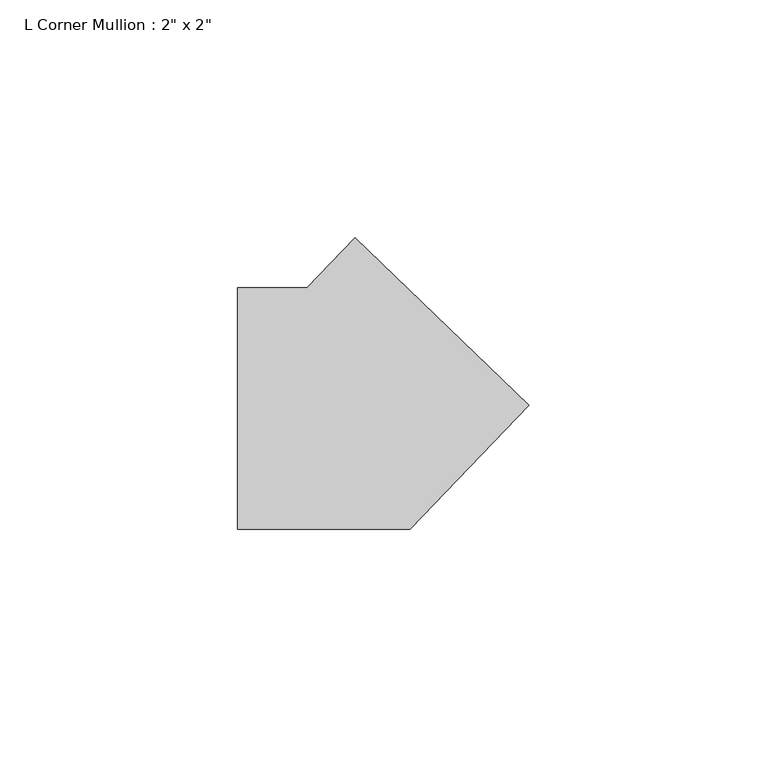
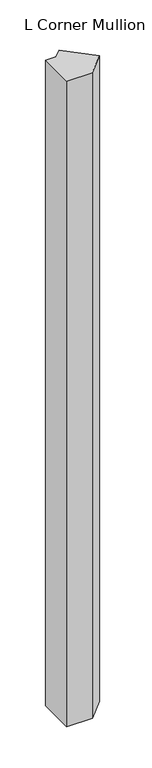
"""IFC4 building model written with IfcOpenShell, lengths in millimetres: member geometry."""

from ifc_helpers import new_model, si_unit, frame, origin, place, context, project, spatial, polyline, outline, extrude, source, transform, mapped, element, save


def member_4f20718a(model_context):
    return source(origin(), model_context, "Body", "SweptSolid", [
        extrude(outline(polyline([(35.913317, 0.7440862), (10.8305964, -25.4), (-25.4, -25.4), (-25.4, 25.4), (-10.8305964, 25.4), (-0.7440862, 35.913317), (35.913317, 0.7440862)])), frame((0.0, 0.0, -952.5058363), z_axis=(0.0, 0.0, 1.0), x_axis=(1.0, 0.0, 0.0)), (0.0, 0.0, 1.0), 952.5058363),
    ])


if __name__ == "__main__":
    model = new_model("IFC4")
    model_context = context("Model", 3, world=origin())
    ifc_project = project(units=[si_unit("LENGTHUNIT", "METRE", prefix="MILLI")], contexts=[model_context])
    site = spatial("IfcSite", under=ifc_project)
    building = spatial("IfcBuilding", under=site)
    placement = place(None, origin())
    member_shape = member_4f20718a(model_context)
    element("IfcMember", 1, ObjectType="L Corner Mullion : 2\" x 2\"", at=placement, inside=building, context=model_context, shape_type="MappedRepresentation", body=[
        mapped(member_shape, transform((0.0, 0.0, 0.0), x_axis=(1.0, 0.0, 0.0), y_axis=(0.0, 1.0, 0.0), z_axis=(0.0, 0.0, 1.0))),
    ])
    save(model, "model.ifc")
